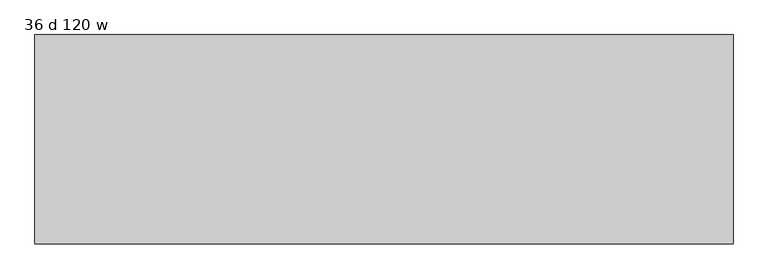
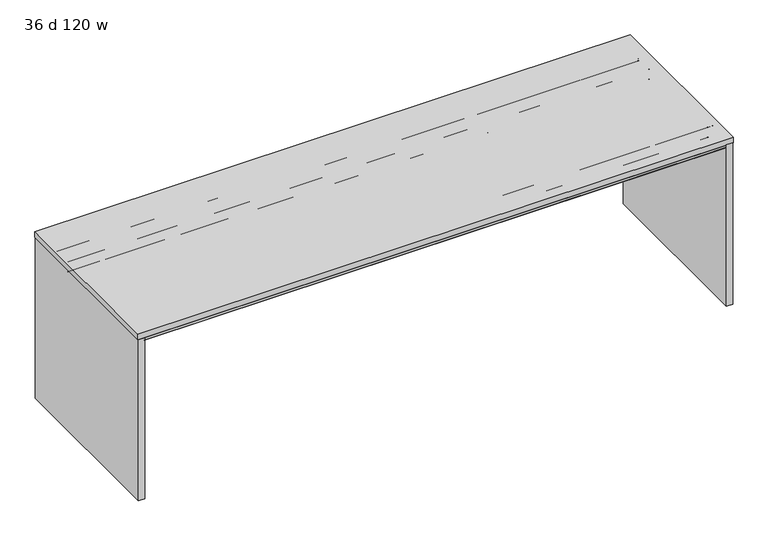
"""IFC4 building model written with IfcOpenShell, lengths in millimetres: furniture geometry, 36 d 120 w."""

from ifc_helpers import new_model, si_unit, frame, origin, place, context, project, spatial, polyline, circle_curve, outline, extrude, source, transform, mapped, element, save
from ifc_brep_helpers import plane_surface, cylinder_surface, revolved_surface, advanced_brep


def furniture_36_d_120_w_9cd12240(model_context):
    return source(origin(), model_context, "Body", "SolidModel", [
        advanced_brep(
        [(-1489.9632694, -364.4387871, 883.3451368), (-1489.9632694, -364.4387871, 884.8344355), (-1489.9632694, -157.2775792, 884.8344355), (-1489.9632694, -157.2775792, 883.3451368), (-1489.9632694, -221.348793, 883.3451368), (-1489.9632694, -222.1387884, 882.5551414), (-1489.9632694, -222.1387884, 829.4251949), (-1489.9632694, -224.1487901, 827.4151932), (-1489.9632694, -295.1288099, 827.4151932), (-1489.9632694, -297.1387889, 829.4251722), (-1489.9632694, -297.1387889, 882.5551324), (-1489.9632694, -297.9287934, 883.3451368), (-1489.9632694, -301.1440004, 883.3451368), (-1489.9632694, -301.1440004, 882.4551476), (-1489.9632694, -317.151863, 882.4551476), (-1489.9632694, -318.1440074, 881.4630031), (-1489.9632694, -318.1440074, 870.3701294), (-1489.9632694, -319.8239921, 868.6901447), (-1489.9632694, -453.464018, 868.6901447), (-1489.9632694, -455.1440027, 870.3701294), (-1489.9632694, -455.1440027, 882.8851358), (-1489.9632694, -453.1947031, 884.8344355), (-1489.9632694, -435.1440062, 884.8344355), (-1489.9632694, -435.1440062, 883.3451368), (1489.9632694, -297.1387889, 882.5551324), (1489.9632694, -297.1387889, 829.4251722), (1489.9632694, -295.1288099, 827.4151932), (1489.9632694, -224.1487901, 827.4151932), (1489.9632694, -222.1387884, 829.4251949), (1489.9632694, -222.1387884, 882.5551414), (1489.9632694, -221.348793, 883.3451368), (1489.9632694, -157.2775792, 883.3451368), (1489.9632694, -157.2775792, 884.8344355), (1489.9632694, -297.1387889, 884.8344355), (1513.8077008, -297.9287934, 883.3451368), (1513.8077008, -364.4387871, 883.3451368), (1489.9632694, -364.4387871, 883.3451368), (1489.9632694, -301.1440004, 883.3451368), (1489.9632694, -297.9287934, 883.3451368), (-1437.6233975, -297.1387889, 882.5551324), (-1413.7789661, -297.1387889, 882.5551324), (-1457.5087931, -157.2775792, 883.3451368), (-1451.8323695, -159.6288302, 883.3451368), (-1423.0978826, -188.3633064, 883.3451368), (-1405.1373737, -195.8027908, 883.3451368), (1405.1373737, -195.8027908, 883.3451368), (1423.0978826, -188.3633064, 883.3451368), (1451.8323695, -159.6288302, 883.3451368), (1457.5087931, -157.2775792, 883.3451368), (1513.8077008, -364.4387871, 884.8344355), (1513.8077008, -297.1387889, 884.8344355), (1457.5087931, -157.2775792, 884.8344355), (1451.8323695, -159.6288302, 884.8344355), (1423.0978826, -188.3633064, 884.8344355), (1405.1373737, -195.8027908, 884.8344355), (-1405.1373737, -195.8027908, 884.8344355), (-1423.0978826, -188.3633064, 884.8344355), (-1451.8323695, -159.6288302, 884.8344355), (-1457.5087931, -157.2775792, 884.8344355), (1513.8077008, -297.1387889, 882.5551324), (1489.9632694, -319.8239921, 868.6901447), (1489.9632694, -318.1440074, 870.3701294), (1489.9632694, -318.1440074, 881.4630031), (1489.9632694, -317.151863, 882.4551476), (1489.9632694, -301.1440004, 882.4551476), (1489.9632694, -435.1440062, 883.3451368), (1489.9632694, -435.1440062, 884.8344355), (1489.9632694, -453.1947031, 884.8344355), (1489.9632694, -455.1440027, 882.8851358), (1489.9632694, -455.1440027, 870.3701294), (1489.9632694, -453.464018, 868.6901447)],
        [
            (0, 1),
            (1, 2),
            (2, 3),
            (3, 4),
            (4, 5, circle_curve(frame((-1489.9632694, -221.348793, 882.5551414), z_axis=(1.0, 0.0, 0.0), x_axis=(0.0, 1.0, 0.0)), 0.7899954)),
            (5, 6),
            (6, 7, circle_curve(frame((-1489.9632694, -224.1487901, 829.4251949), z_axis=(-1.0, 0.0, 0.0), x_axis=(0.0, 1.0, 0.0)), 2.0100018)),
            (7, 8),
            (8, 9, circle_curve(frame((-1489.9632694, -295.1288099, 829.4251722), z_axis=(-1.0, 0.0, 0.0), x_axis=(0.0, 1.0, 0.0)), 2.0099791)),
            (9, 10),
            (10, 11, circle_curve(frame((-1489.9632694, -297.9287934, 882.5551324), z_axis=(1.0, 0.0, 0.0), x_axis=(0.0, 1.0, 0.0)), 0.7900045)),
            (11, 12),
            (12, 13),
            (13, 14),
            (14, 15, circle_curve(frame((-1489.9632694, -317.151863, 881.4630031), z_axis=(1.0, 0.0, 0.0), x_axis=(0.0, 1.0, 0.0)), 0.9921444)),
            (15, 16),
            (16, 17, circle_curve(frame((-1489.9632694, -319.8239921, 870.3701294), z_axis=(-1.0, 0.0, 0.0), x_axis=(0.0, 1.0, 0.0)), 1.6799847)),
            (17, 18),
            (18, 19, circle_curve(frame((-1489.9632694, -453.464018, 870.3701294), z_axis=(-1.0, 0.0, 0.0), x_axis=(0.0, 1.0, 0.0)), 1.6799847)),
            (19, 20),
            (20, 21, circle_curve(frame((-1489.9632694, -453.1947031, 882.8851358), z_axis=(-1.0, 0.0, 0.0), x_axis=(0.0, 1.0, 0.0)), 1.9492996)),
            (21, 22),
            (22, 23),
            (23, 0),
            (24, 25),
            (25, 26, circle_curve(frame((1489.9632694, -295.1288099, 829.4251722), z_axis=(1.0, 0.0, 0.0), x_axis=(0.0, 1.0, 0.0)), 2.0099791)),
            (26, 27),
            (27, 28, circle_curve(frame((1489.9632694, -224.1487901, 829.4251949), z_axis=(1.0, 0.0, 0.0), x_axis=(0.0, 1.0, 0.0)), 2.0100018)),
            (28, 29),
            (29, 30, circle_curve(frame((1489.9632694, -221.348793, 882.5551414), z_axis=(-1.0, 0.0, 0.0), x_axis=(0.0, 1.0, 0.0)), 0.7899954)),
            (30, 31),
            (31, 32),
            (32, 33),
            (33, 24),
            (34, 35),
            (35, 36),
            (36, 37),
            (37, 12),
            (11, 38),
            (38, 34),
            (10, 39),
            (39, 40),
            (40, 24),
            (24, 38, circle_curve(frame((1489.9632694, -297.9287934, 882.5551324), z_axis=(1.0, 0.0, 0.0), x_axis=(0.0, 1.0, 0.0)), 0.7900045)),
            (9, 25),
            (8, 26),
            (7, 27),
            (6, 28),
            (5, 29),
            (4, 30),
            (3, 41),
            (41, 42, circle_curve(frame((-1457.5087931, -165.305256, 883.3451368), z_axis=(0.0, 0.0, -1.0), x_axis=(-1.0, 0.0, 0.0)), 8.0276768)),
            (42, 43),
            (43, 44, circle_curve(frame((-1405.1373737, -170.4027908, 883.3451368), z_axis=(0.0, 0.0, 1.0), x_axis=(-1.0, 0.0, 0.0)), 25.4)),
            (44, 45),
            (45, 46, circle_curve(frame((1405.1373737, -170.4027908, 883.3451368), z_axis=(0.0, 0.0, 1.0), x_axis=(-1.0, 0.0, 0.0)), 25.4)),
            (46, 47),
            (47, 48, circle_curve(frame((1457.5087931, -165.305256, 883.3451368), z_axis=(0.0, 0.0, -1.0), x_axis=(-1.0, 0.0, 0.0)), 8.0276768)),
            (48, 31),
            (1, 49),
            (49, 50),
            (50, 33),
            (32, 51),
            (51, 52, circle_curve(frame((1457.5087931, -165.305256, 884.8344355), z_axis=(0.0, 0.0, 1.0), x_axis=(-1.0, 0.0, 0.0)), 8.0276768)),
            (52, 53),
            (53, 54, circle_curve(frame((1405.1373737, -170.4027908, 884.8344355), z_axis=(0.0, 0.0, -1.0), x_axis=(-1.0, 0.0, 0.0)), 25.4)),
            (54, 55),
            (55, 56, circle_curve(frame((-1405.1373737, -170.4027908, 884.8344355), z_axis=(0.0, 0.0, -1.0), x_axis=(-1.0, 0.0, 0.0)), 25.4)),
            (56, 57),
            (57, 58, circle_curve(frame((-1457.5087931, -165.305256, 884.8344355), z_axis=(0.0, 0.0, 1.0), x_axis=(-1.0, 0.0, 0.0)), 8.0276768)),
            (58, 2),
            (0, 36),
            (35, 49),
            (34, 59, circle_curve(frame((1513.8077008, -297.9287934, 882.5551324), z_axis=(-1.0, 0.0, 0.0), x_axis=(0.0, 0.0, 1.0)), 0.7900045)),
            (59, 50),
            (24, 59),
            (60, 61, circle_curve(frame((1489.9632694, -319.8239921, 870.3701294), z_axis=(1.0, 0.0, 0.0), x_axis=(0.0, 1.0, 0.0)), 1.6799847)),
            (61, 62),
            (62, 63, circle_curve(frame((1489.9632694, -317.151863, 881.4630031), z_axis=(-1.0, 0.0, 0.0), x_axis=(0.0, 1.0, 0.0)), 0.9921444)),
            (63, 64),
            (64, 37),
            (36, 65),
            (65, 66),
            (66, 67),
            (67, 68, circle_curve(frame((1489.9632694, -453.1947031, 882.8851358), z_axis=(1.0, 0.0, 0.0), x_axis=(0.0, 1.0, 0.0)), 1.9492996)),
            (68, 69),
            (69, 70, circle_curve(frame((1489.9632694, -453.464018, 870.3701294), z_axis=(1.0, 0.0, 0.0), x_axis=(0.0, 1.0, 0.0)), 1.6799847)),
            (70, 60),
            (16, 61),
            (60, 17),
            (15, 62),
            (14, 63),
            (13, 64),
            (23, 65),
            (22, 66),
            (21, 67),
            (20, 68),
            (19, 69),
            (18, 70),
            (58, 41),
            (57, 42),
            (56, 43),
            (55, 44),
            (54, 45),
            (53, 46),
            (52, 47),
            (51, 48),
        ],
        [
            plane_surface(frame((-1489.9632694, -259.6388, 884.8344355), z_axis=(-1.0, 0.0, 0.0), x_axis=(0.0, 0.0, 1.0))),
            plane_surface(frame((1489.9632694, -259.6388, 884.8344355), z_axis=(1.0, 0.0, 0.0), x_axis=(0.0, 0.0, 1.0))),
            plane_surface(frame((-1489.9632694, -297.9287934, 883.3451368), z_axis=(0.0, 0.0, -1.0), x_axis=(1.0, 0.0, 0.0))),
            revolved_surface(polyline([(1489.9632694, -297.1387889, 882.5551324), (-1489.9632694, -297.1387889, 882.5551324)]), (-1489.9632694, -297.9287934, 882.5551324), (1.0, 0.0, 0.0)),
            plane_surface(frame((-1489.9632694, -297.1387889, 829.4251722), z_axis=(0.0, -1.0, 0.0), x_axis=(1.0, 0.0, 0.0))),
            cylinder_surface(frame((-1489.9632694, -295.1288099, 829.4251722), z_axis=(-1.0, 0.0, 0.0), x_axis=(0.0, 1.0, 0.0)), 2.0099791),
            plane_surface(frame((-1489.9632694, -224.1487901, 827.4151932), z_axis=(0.0, 0.0, -1.0), x_axis=(1.0, 0.0, 0.0))),
            cylinder_surface(frame((-1489.9632694, -224.1487901, 829.4251949), z_axis=(-1.0, 0.0, 0.0), x_axis=(0.0, 1.0, 0.0)), 2.0100018),
            plane_surface(frame((-1489.9632694, -222.1387884, 882.5551414), z_axis=(0.0, 1.0, 0.0), x_axis=(1.0, 0.0, 0.0))),
            revolved_surface(polyline([(1489.9632694, -220.5587976, 882.5551414), (-1489.9632694, -220.5587976, 882.5551414)]), (-1489.9632694, -221.348793, 882.5551414), (1.0, 0.0, 0.0)),
            plane_surface(frame((-1489.9632694, -154.8387896, 883.3451368), z_axis=(0.0, 0.0, -1.0), x_axis=(1.0, 0.0, 0.0))),
            plane_surface(frame((-1489.9632694, -364.4387871, 884.8344355), z_axis=(0.0, 0.0, 1.0), x_axis=(1.0, 0.0, 0.0))),
            plane_surface(frame((-1489.9632694, -364.4387871, 883.3451368), z_axis=(0.0, -1.0, 0.0), x_axis=(1.0, 0.0, 0.0))),
            plane_surface(frame((1513.8077008, -364.4387871, 884.8344355), z_axis=(1.0, 0.0, 0.0), x_axis=(0.0, 0.0, -1.0))),
            revolved_surface(polyline([(1489.9632694, -297.9287934, 883.3451369), (1513.8077008, -297.9287934, 883.3451369)]), (1489.9632694, -297.9287934, 882.5551324), (-1.0, 0.0, 0.0)),
            plane_surface(frame((1513.8077008, -297.1387889, 882.5551324), z_axis=(0.0, 1.0, 0.0), x_axis=(-1.0, 0.0, 0.0))),
            plane_surface(frame((1489.9632694, -457.2, 884.8344355), z_axis=(1.0, 0.0, 0.0), x_axis=(0.0, 0.0, 1.0))),
            cylinder_surface(frame((-1489.9632694, -319.8239921, 870.3701294), z_axis=(-1.0, 0.0, 0.0), x_axis=(0.0, 1.0, 0.0)), 1.6799847),
            plane_surface(frame((-1489.9632694, -318.1440074, 881.4630031), z_axis=(0.0, 1.0, 0.0), x_axis=(1.0, 0.0, 0.0))),
            revolved_surface(polyline([(1489.9632694, -316.1597186, 881.4630031), (-1489.9632694, -316.1597186, 881.4630031)]), (-1489.9632694, -317.151863, 881.4630031), (1.0, 0.0, 0.0)),
            plane_surface(frame((-1489.9632694, -301.1440004, 882.4551476), z_axis=(0.0, 0.0, -1.0), x_axis=(1.0, 0.0, 0.0))),
            plane_surface(frame((-1489.9632694, -301.1440004, 883.3451368), z_axis=(0.0, 1.0, 0.0), x_axis=(1.0, 0.0, 0.0))),
            plane_surface(frame((-1489.9632694, -435.1440062, 883.3451368), z_axis=(0.0, 0.0, 1.0), x_axis=(1.0, 0.0, 0.0))),
            plane_surface(frame((-1489.9632694, -435.1440062, 884.8344355), z_axis=(0.0, 1.0, 0.0), x_axis=(1.0, 0.0, 0.0))),
            plane_surface(frame((-1489.9632694, -453.1947031, 884.8344355), z_axis=(0.0, 0.0, 1.0), x_axis=(1.0, 0.0, 0.0))),
            cylinder_surface(frame((-1489.9632694, -453.1947031, 882.8851358), z_axis=(-1.0, 0.0, 0.0), x_axis=(0.0, 1.0, 0.0)), 1.9492996),
            plane_surface(frame((-1489.9632694, -455.1440027, 870.3701294), z_axis=(0.0, -1.0, 0.0), x_axis=(1.0, 0.0, 0.0))),
            cylinder_surface(frame((-1489.9632694, -453.464018, 870.3701294), z_axis=(-1.0, 0.0, 0.0), x_axis=(0.0, 1.0, 0.0)), 1.6799847),
            plane_surface(frame((-1489.9632694, -319.8239921, 868.6901447), z_axis=(0.0, 0.0, -1.0), x_axis=(1.0, 0.0, 0.0))),
            plane_surface(frame((-1489.9632694, -157.2775792, 884.8344355), z_axis=(0.0, 1.0, 0.0), x_axis=(0.0, 0.0, -1.0))),
            cylinder_surface(frame((-1457.5087931, -165.305256, 868.6901447), z_axis=(0.0, 0.0, -1.0), x_axis=(-1.0, 0.0, 0.0)), 8.0276768),
            plane_surface(frame((-1451.8323695, -159.6288302, 884.8344355), z_axis=(0.7071066495450311, 0.7071069128280394, 0.0), x_axis=(0.0, 0.0, -1.0))),
            revolved_surface(polyline([(-1430.5373737, -170.4027908, 884.8344355), (-1430.5373737, -170.4027908, 883.3451368)]), (-1405.1373737, -170.4027908, 868.6901447), (0.0, 0.0, 1.0)),
            plane_surface(frame((-1405.1373737, -195.8027908, 884.8344355), z_axis=(0.0, 1.0, 0.0), x_axis=(0.0, 0.0, -1.0))),
            revolved_surface(polyline([(1379.7373736999998, -170.4027908, 884.8344355), (1379.7373736999998, -170.4027908, 883.3451368)]), (1405.1373737, -170.4027908, 868.6901447), (0.0, 0.0, 1.0)),
            plane_surface(frame((1423.0978826, -188.3633064, 884.8344355), z_axis=(-0.7071066495450119, 0.7071069128280586, 0.0), x_axis=(0.0, 0.0, -1.0))),
            cylinder_surface(frame((1457.5087931, -165.305256, 868.6901447), z_axis=(0.0, 0.0, -1.0), x_axis=(-1.0, 0.0, 0.0)), 8.0276768),
            plane_surface(frame((1457.5087931, -157.2775792, 884.8344355), z_axis=(0.0, 1.0, 0.0), x_axis=(0.0, 0.0, -1.0))),
        ],
        [
            (0, [[1, 2, 3, 4, 5, 6, 7, 8, 9, 10, 11, 12, 13, 14, 15, 16, 17, 18, 19, 20, 21, 22, 23, 24]]),
            (1, [[25, 26, 27, 28, 29, 30, 31, 32, 33, 34]]),
            (2, [[35, 36, 37, 38, -12, 39, 40]]),
            (3, [[-11, 41, 42, 43, 44, -39]]),
            (4, [[-10, 45, -25, -43, -42, -41]]),
            (5, [[-9, 46, -26, -45]]),
            (6, [[-8, 47, -27, -46]]),
            (7, [[-7, 48, -28, -47]]),
            (8, [[-6, 49, -29, -48]]),
            (9, [[-5, 50, -30, -49]]),
            (10, [[-50, -4, 51, 52, 53, 54, 55, 56, 57, 58, 59, -31]]),
            (11, [[-2, 60, 61, 62, -33, 63, 64, 65, 66, 67, 68, 69, 70, 71]]),
            (12, [[-1, 72, -36, 73, -60]]),
            (13, [[-73, -35, 74, 75, -61]]),
            (14, [[-74, -40, -44, 76]]),
            (15, [[-75, -76, -34, -62]]),
            (16, [[77, 78, 79, 80, 81, -37, 82, 83, 84, 85, 86, 87, 88]]),
            (17, [[-17, 89, -77, 90]]),
            (18, [[-16, 91, -78, -89]]),
            (19, [[-15, 92, -79, -91]]),
            (20, [[-14, 93, -80, -92]]),
            (21, [[-13, -38, -81, -93]]),
            (22, [[94, -82, -72, -24]]),
            (23, [[-23, 95, -83, -94]]),
            (24, [[-22, 96, -84, -95]]),
            (25, [[-21, 97, -85, -96]]),
            (26, [[-20, 98, -86, -97]]),
            (27, [[-19, 99, -87, -98]]),
            (28, [[-18, -90, -88, -99]]),
            (29, [[100, -51, -3, -71]]),
            (30, [[-100, -70, 101, -52]]),
            (31, [[-101, -69, 102, -53]]),
            (32, [[-102, -68, 103, -54]]),
            (33, [[-103, -67, 104, -55]]),
            (34, [[-104, -66, 105, -56]]),
            (35, [[-105, -65, 106, -57]]),
            (36, [[-106, -64, 107, -58]]),
            (37, [[-107, -63, -32, -59]]),
        ],
    ),
        advanced_brep(
        [(-1489.9632694, 297.9287934, 883.3451368), (-1489.9632694, 297.1387889, 882.5551324), (-1489.9632694, 297.1387889, 829.4251722), (-1489.9632694, 295.1288099, 827.4151932), (-1489.9632694, 224.1487901, 827.4151932), (-1489.9632694, 222.1387884, 829.4251949), (-1489.9632694, 222.1387884, 882.5551414), (-1489.9632694, 221.348793, 883.3451368), (-1489.9632694, 157.2775792, 883.3451368), (-1489.9632694, 157.2775792, 884.8344355), (-1489.9632694, 364.4387871, 884.8344355), (-1489.9632694, 364.4387871, 883.3451368), (-1489.9632694, 435.1440062, 883.3451368), (-1489.9632694, 435.1440062, 884.8344355), (-1489.9632694, 453.1947031, 884.8344355), (-1489.9632694, 455.1440027, 882.8851358), (-1489.9632694, 455.1440027, 870.3701294), (-1489.9632694, 453.464018, 868.6901447), (-1489.9632694, 319.8239921, 868.6901447), (-1489.9632694, 318.1440074, 870.3701294), (-1489.9632694, 318.1440074, 881.4630031), (-1489.9632694, 317.151863, 882.4551476), (-1489.9632694, 301.1440004, 882.4551476), (-1489.9632694, 301.1440004, 883.3451368), (1489.9632694, 221.348793, 883.3451368), (1489.9632694, 222.1387884, 882.5551414), (1489.9632694, 222.1387884, 829.4251949), (1489.9632694, 224.1487901, 827.4151932), (1489.9632694, 295.1288099, 827.4151932), (1489.9632694, 297.1387889, 829.4251722), (1489.9632694, 297.1387889, 882.5551324), (1489.9632694, 297.1387889, 884.8344355), (1489.9632694, 157.2775792, 884.8344355), (1489.9632694, 157.2775792, 883.3451368), (1513.8077008, 364.4387871, 883.3451368), (1513.8077008, 297.9287934, 883.3451368), (1489.9632694, 297.9287934, 883.3451368), (1489.9632694, 301.1440004, 883.3451368), (1489.9632694, 364.4387871, 883.3451368), (-1413.7789661, 297.1387889, 882.5551324), (-1437.6233975, 297.1387889, 882.5551324), (1457.5087931, 157.2775792, 883.3451368), (1451.8323695, 159.6288302, 883.3451368), (1423.0978826, 188.3633064, 883.3451368), (1405.1373737, 195.8027908, 883.3451368), (-1405.1373737, 195.8027908, 883.3451368), (-1423.0978826, 188.3633064, 883.3451368), (-1451.8323695, 159.6288302, 883.3451368), (-1457.5087931, 157.2775792, 883.3451368), (-1457.5087931, 157.2775792, 884.8344355), (-1451.8323695, 159.6288302, 884.8344355), (-1423.0978826, 188.3633064, 884.8344355), (-1405.1373737, 195.8027908, 884.8344355), (1405.1373737, 195.8027908, 884.8344355), (1423.0978826, 188.3633064, 884.8344355), (1451.8323695, 159.6288302, 884.8344355), (1457.5087931, 157.2775792, 884.8344355), (1513.8077008, 297.1387889, 884.8344355), (1513.8077008, 364.4387871, 884.8344355), (1513.8077008, 297.1387889, 882.5551324), (1489.9632694, 319.8239921, 868.6901447), (1489.9632694, 453.464018, 868.6901447), (1489.9632694, 455.1440027, 870.3701294), (1489.9632694, 455.1440027, 882.8851358), (1489.9632694, 453.1947031, 884.8344355), (1489.9632694, 435.1440062, 884.8344355), (1489.9632694, 435.1440062, 883.3451368), (1489.9632694, 301.1440004, 882.4551476), (1489.9632694, 317.151863, 882.4551476), (1489.9632694, 318.1440074, 881.4630031), (1489.9632694, 318.1440074, 870.3701294)],
        [
            (0, 1, circle_curve(frame((-1489.9632694, 297.9287934, 882.5551324), z_axis=(1.0, 0.0, 0.0), x_axis=(0.0, 1.0, 0.0)), 0.7900045)),
            (1, 2),
            (2, 3, circle_curve(frame((-1489.9632694, 295.1288099, 829.4251722), z_axis=(-1.0, 0.0, 0.0), x_axis=(0.0, 1.0, 0.0)), 2.0099791)),
            (3, 4),
            (4, 5, circle_curve(frame((-1489.9632694, 224.1487901, 829.4251949), z_axis=(-1.0, 0.0, 0.0), x_axis=(0.0, 1.0, 0.0)), 2.0100018)),
            (5, 6),
            (6, 7, circle_curve(frame((-1489.9632694, 221.348793, 882.5551414), z_axis=(1.0, 0.0, 0.0), x_axis=(0.0, 1.0, 0.0)), 0.7899954)),
            (7, 8),
            (8, 9),
            (9, 10),
            (10, 11),
            (11, 12),
            (12, 13),
            (13, 14),
            (14, 15, circle_curve(frame((-1489.9632694, 453.1947031, 882.8851358), z_axis=(-1.0, 0.0, 0.0), x_axis=(0.0, 1.0, 0.0)), 1.9492996)),
            (15, 16),
            (16, 17, circle_curve(frame((-1489.9632694, 453.464018, 870.3701294), z_axis=(-1.0, 0.0, 0.0), x_axis=(0.0, 1.0, 0.0)), 1.6799847)),
            (17, 18),
            (18, 19, circle_curve(frame((-1489.9632694, 319.8239921, 870.3701294), z_axis=(-1.0, 0.0, 0.0), x_axis=(0.0, 1.0, 0.0)), 1.6799847)),
            (19, 20),
            (20, 21, circle_curve(frame((-1489.9632694, 317.151863, 881.4630031), z_axis=(1.0, 0.0, 0.0), x_axis=(0.0, 1.0, 0.0)), 0.9921444)),
            (21, 22),
            (22, 23),
            (23, 0),
            (24, 25, circle_curve(frame((1489.9632694, 221.348793, 882.5551414), z_axis=(-1.0, 0.0, 0.0), x_axis=(0.0, 1.0, 0.0)), 0.7899954)),
            (25, 26),
            (26, 27, circle_curve(frame((1489.9632694, 224.1487901, 829.4251949), z_axis=(1.0, 0.0, 0.0), x_axis=(0.0, 1.0, 0.0)), 2.0100018)),
            (27, 28),
            (28, 29, circle_curve(frame((1489.9632694, 295.1288099, 829.4251722), z_axis=(1.0, 0.0, 0.0), x_axis=(0.0, 1.0, 0.0)), 2.0099791)),
            (29, 30),
            (30, 31),
            (31, 32),
            (32, 33),
            (33, 24),
            (34, 35),
            (35, 36),
            (36, 0),
            (23, 37),
            (37, 38),
            (38, 34),
            (36, 30, circle_curve(frame((1489.9632694, 297.9287934, 882.5551324), z_axis=(1.0, 0.0, 0.0), x_axis=(0.0, 1.0, 0.0)), 0.7900045)),
            (30, 39),
            (39, 40),
            (40, 1),
            (29, 2),
            (28, 3),
            (27, 4),
            (26, 5),
            (25, 6),
            (24, 7),
            (33, 41),
            (41, 42, circle_curve(frame((1457.5087931, 165.305256, 883.3451368), z_axis=(0.0, 0.0, -1.0), x_axis=(-1.0, 0.0, 0.0)), 8.0276768)),
            (42, 43),
            (43, 44, circle_curve(frame((1405.1373737, 170.4027908, 883.3451368), z_axis=(0.0, 0.0, 1.0), x_axis=(-1.0, 0.0, 0.0)), 25.4)),
            (44, 45),
            (45, 46, circle_curve(frame((-1405.1373737, 170.4027908, 883.3451368), z_axis=(0.0, 0.0, 1.0), x_axis=(-1.0, 0.0, 0.0)), 25.4)),
            (46, 47),
            (47, 48, circle_curve(frame((-1457.5087931, 165.305256, 883.3451368), z_axis=(0.0, 0.0, -1.0), x_axis=(-1.0, 0.0, 0.0)), 8.0276768)),
            (48, 8),
            (9, 49),
            (49, 50, circle_curve(frame((-1457.5087931, 165.305256, 884.8344355), z_axis=(0.0, 0.0, 1.0), x_axis=(-1.0, 0.0, 0.0)), 8.0276768)),
            (50, 51),
            (51, 52, circle_curve(frame((-1405.1373737, 170.4027908, 884.8344355), z_axis=(0.0, 0.0, -1.0), x_axis=(-1.0, 0.0, 0.0)), 25.4)),
            (52, 53),
            (53, 54, circle_curve(frame((1405.1373737, 170.4027908, 884.8344355), z_axis=(0.0, 0.0, -1.0), x_axis=(-1.0, 0.0, 0.0)), 25.4)),
            (54, 55),
            (55, 56, circle_curve(frame((1457.5087931, 165.305256, 884.8344355), z_axis=(0.0, 0.0, 1.0), x_axis=(-1.0, 0.0, 0.0)), 8.0276768)),
            (56, 32),
            (31, 57),
            (57, 58),
            (58, 10),
            (58, 34),
            (38, 11),
            (57, 59),
            (59, 35, circle_curve(frame((1513.8077008, 297.9287934, 882.5551324), z_axis=(-1.0, 0.0, 0.0), x_axis=(0.0, 0.0, 1.0)), 0.7900045)),
            (30, 59),
            (60, 61),
            (61, 62, circle_curve(frame((1489.9632694, 453.464018, 870.3701294), z_axis=(1.0, 0.0, 0.0), x_axis=(0.0, 1.0, 0.0)), 1.6799847)),
            (62, 63),
            (63, 64, circle_curve(frame((1489.9632694, 453.1947031, 882.8851358), z_axis=(1.0, 0.0, 0.0), x_axis=(0.0, 1.0, 0.0)), 1.9492996)),
            (64, 65),
            (65, 66),
            (66, 38),
            (37, 67),
            (67, 68),
            (68, 69, circle_curve(frame((1489.9632694, 317.151863, 881.4630031), z_axis=(-1.0, 0.0, 0.0), x_axis=(0.0, 1.0, 0.0)), 0.9921444)),
            (69, 70),
            (70, 60, circle_curve(frame((1489.9632694, 319.8239921, 870.3701294), z_axis=(1.0, 0.0, 0.0), x_axis=(0.0, 1.0, 0.0)), 1.6799847)),
            (18, 60),
            (70, 19),
            (69, 20),
            (68, 21),
            (67, 22),
            (66, 12),
            (65, 13),
            (64, 14),
            (63, 15),
            (62, 16),
            (61, 17),
            (56, 41),
            (55, 42),
            (54, 43),
            (53, 44),
            (52, 45),
            (51, 46),
            (50, 47),
            (49, 48),
        ],
        [
            plane_surface(frame((-1489.9632694, 259.6388, 884.8344355), z_axis=(-1.0, 0.0, 0.0), x_axis=(0.0, 0.0, 1.0))),
            plane_surface(frame((1489.9632694, 259.6388, 884.8344355), z_axis=(1.0, 0.0, 0.0), x_axis=(0.0, 0.0, 1.0))),
            plane_surface(frame((-1489.9632694, 364.4387871, 883.3451368), z_axis=(0.0, 0.0, -1.0), x_axis=(1.0, 0.0, 0.0))),
            revolved_surface(polyline([(1489.9632694, 298.7187979, 882.5551324), (-1489.9632694, 298.7187979, 882.5551324)]), (-1489.9632694, 297.9287934, 882.5551324), (1.0, 0.0, 0.0)),
            plane_surface(frame((-1489.9632694, 297.1387889, 882.5551324), z_axis=(0.0, 1.0, 0.0), x_axis=(1.0, 0.0, 0.0))),
            cylinder_surface(frame((-1489.9632694, 295.1288099, 829.4251722), z_axis=(-1.0, 0.0, 0.0), x_axis=(0.0, 1.0, 0.0)), 2.0099791),
            plane_surface(frame((-1489.9632694, 295.1288099, 827.4151932), z_axis=(0.0, 0.0, -1.0), x_axis=(1.0, 0.0, 0.0))),
            cylinder_surface(frame((-1489.9632694, 224.1487901, 829.4251949), z_axis=(-1.0, 0.0, 0.0), x_axis=(0.0, 1.0, 0.0)), 2.0100018),
            plane_surface(frame((-1489.9632694, 222.1387884, 829.4251949), z_axis=(0.0, -1.0, 0.0), x_axis=(1.0, 0.0, 0.0))),
            revolved_surface(polyline([(1489.9632694, 222.1387884, 882.5551414), (-1489.9632694, 222.1387884, 882.5551414)]), (-1489.9632694, 221.348793, 882.5551414), (1.0, 0.0, 0.0)),
            plane_surface(frame((-1489.9632694, 221.348793, 883.3451368), z_axis=(0.0, 0.0, -1.0), x_axis=(1.0, 0.0, 0.0))),
            plane_surface(frame((-1489.9632694, 154.8387896, 884.8344355), z_axis=(0.0, 0.0, 1.0), x_axis=(1.0, 0.0, 0.0))),
            plane_surface(frame((-1489.9632694, 364.4387871, 884.8344355), z_axis=(0.0, 1.0, 0.0), x_axis=(1.0, 0.0, 0.0))),
            plane_surface(frame((1513.8077008, -364.4387871, 884.8344355), z_axis=(1.0, 0.0, 0.0), x_axis=(0.0, 0.0, -1.0))),
            plane_surface(frame((1513.8077008, 297.1387889, 884.8344355), z_axis=(0.0, -1.0, 0.0), x_axis=(-1.0, 0.0, 0.0))),
            revolved_surface(polyline([(1489.9632694, 297.9287934, 883.3451369), (1513.8077008, 297.9287934, 883.3451369)]), (1489.9632694, 297.9287934, 882.5551324), (-1.0, 0.0, 0.0)),
            plane_surface(frame((1489.9632694, 457.2, 884.8344355), z_axis=(1.0, 0.0, 0.0), x_axis=(0.0, 0.0, 1.0))),
            cylinder_surface(frame((-1489.9632694, 319.8239921, 870.3701294), z_axis=(-1.0, 0.0, 0.0), x_axis=(0.0, 1.0, 0.0)), 1.6799847),
            plane_surface(frame((-1489.9632694, 318.1440074, 870.3701294), z_axis=(0.0, -1.0, 0.0), x_axis=(1.0, 0.0, 0.0))),
            revolved_surface(polyline([(1489.9632694, 318.14400739999996, 881.4630031), (-1489.9632694, 318.14400739999996, 881.4630031)]), (-1489.9632694, 317.151863, 881.4630031), (1.0, 0.0, 0.0)),
            plane_surface(frame((-1489.9632694, 317.151863, 882.4551476), z_axis=(0.0, 0.0, -1.0), x_axis=(1.0, 0.0, 0.0))),
            plane_surface(frame((-1489.9632694, 301.1440004, 882.4551476), z_axis=(0.0, -1.0, 0.0), x_axis=(1.0, 0.0, 0.0))),
            plane_surface(frame((-1489.9632694, 301.1440004, 883.3451368), z_axis=(0.0, 0.0, 1.0), x_axis=(1.0, 0.0, 0.0))),
            plane_surface(frame((-1489.9632694, 435.1440062, 883.3451368), z_axis=(0.0, -1.0, 0.0), x_axis=(1.0, 0.0, 0.0))),
            plane_surface(frame((-1489.9632694, 435.1440062, 884.8344355), z_axis=(0.0, 0.0, 1.0), x_axis=(1.0, 0.0, 0.0))),
            cylinder_surface(frame((-1489.9632694, 453.1947031, 882.8851358), z_axis=(-1.0, 0.0, 0.0), x_axis=(0.0, 1.0, 0.0)), 1.9492996),
            plane_surface(frame((-1489.9632694, 455.1440027, 882.8851358), z_axis=(0.0, 1.0, 0.0), x_axis=(1.0, 0.0, 0.0))),
            cylinder_surface(frame((-1489.9632694, 453.464018, 870.3701294), z_axis=(-1.0, 0.0, 0.0), x_axis=(0.0, 1.0, 0.0)), 1.6799847),
            plane_surface(frame((-1489.9632694, 453.464018, 868.6901447), z_axis=(0.0, 0.0, -1.0), x_axis=(1.0, 0.0, 0.0))),
            plane_surface(frame((1489.9632694, 157.2775792, 884.8344355), z_axis=(0.0, -1.0, 0.0), x_axis=(0.0, 0.0, -1.0))),
            cylinder_surface(frame((1457.5087931, 165.305256, 868.6901447), z_axis=(0.0, 0.0, -1.0), x_axis=(-1.0, 0.0, 0.0)), 8.0276768),
            plane_surface(frame((1451.8323695, 159.6288302, 884.8344355), z_axis=(-0.7071066495449054, -0.7071069128281653, 0.0), x_axis=(0.0, 0.0, -1.0))),
            revolved_surface(polyline([(1379.7373736999998, 170.4027908, 884.8344355), (1379.7373736999998, 170.4027908, 883.3451368)]), (1405.1373737, 170.4027908, 868.6901447), (0.0, 0.0, 1.0)),
            plane_surface(frame((1405.1373737, 195.8027908, 884.8344355), z_axis=(0.0, -1.0, 0.0), x_axis=(0.0, 0.0, -1.0))),
            revolved_surface(polyline([(-1430.5373737, 170.4027908, 884.8344355), (-1430.5373737, 170.4027908, 883.3451368)]), (-1405.1373737, 170.4027908, 868.6901447), (0.0, 0.0, 1.0)),
            plane_surface(frame((-1423.0978826, 188.3633064, 884.8344355), z_axis=(0.7071066495450019, -0.7071069128280686, 0.0), x_axis=(0.0, 0.0, -1.0))),
            cylinder_surface(frame((-1457.5087931, 165.305256, 868.6901447), z_axis=(0.0, 0.0, -1.0), x_axis=(-1.0, 0.0, 0.0)), 8.0276768),
            plane_surface(frame((-1457.5087931, 157.2775792, 884.8344355), z_axis=(0.0, -1.0, 0.0), x_axis=(0.0, 0.0, -1.0))),
        ],
        [
            (0, [[1, 2, 3, 4, 5, 6, 7, 8, 9, 10, 11, 12, 13, 14, 15, 16, 17, 18, 19, 20, 21, 22, 23, 24]]),
            (1, [[25, 26, 27, 28, 29, 30, 31, 32, 33, 34]]),
            (2, [[35, 36, 37, -24, 38, 39, 40]]),
            (3, [[-1, -37, 41, 42, 43, 44]]),
            (4, [[-2, -44, -43, -42, -30, 45]]),
            (5, [[-3, -45, -29, 46]]),
            (6, [[-4, -46, -28, 47]]),
            (7, [[-5, -47, -27, 48]]),
            (8, [[-6, -48, -26, 49]]),
            (9, [[-7, -49, -25, 50]]),
            (10, [[-50, -34, 51, 52, 53, 54, 55, 56, 57, 58, 59, -8]]),
            (11, [[-10, 60, 61, 62, 63, 64, 65, 66, 67, 68, -32, 69, 70, 71]]),
            (12, [[-11, -71, 72, -40, 73]]),
            (13, [[74, 75, -35, -72, -70]]),
            (14, [[-74, -69, -31, 76]]),
            (15, [[-75, -76, -41, -36]]),
            (16, [[77, 78, 79, 80, 81, 82, 83, -39, 84, 85, 86, 87, 88]]),
            (17, [[-19, 89, -88, 90]]),
            (18, [[-20, -90, -87, 91]]),
            (19, [[-21, -91, -86, 92]]),
            (20, [[-22, -92, -85, 93]]),
            (21, [[-23, -93, -84, -38]]),
            (22, [[94, -12, -73, -83]]),
            (23, [[-13, -94, -82, 95]]),
            (24, [[-14, -95, -81, 96]]),
            (25, [[-15, -96, -80, 97]]),
            (26, [[-16, -97, -79, 98]]),
            (27, [[-17, -98, -78, 99]]),
            (28, [[-18, -99, -77, -89]]),
            (29, [[100, -51, -33, -68]]),
            (30, [[-100, -67, 101, -52]]),
            (31, [[-101, -66, 102, -53]]),
            (32, [[-102, -65, 103, -54]]),
            (33, [[-103, -64, 104, -55]]),
            (34, [[-104, -63, 105, -56]]),
            (35, [[-105, -62, 106, -57]]),
            (36, [[-106, -61, 107, -58]]),
            (37, [[-107, -60, -9, -59]]),
        ],
    ),
        extrude(outline(polyline([(-1489.9632694, 457.2), (-1489.9632694, -457.2), (-1521.5098177, -457.2), (-1521.5098177, 457.2), (-1489.9632694, 457.2)])), frame((0.0, 0.0, 12.2237497), z_axis=(0.0, 0.0, 1.0), x_axis=(1.0, 0.0, 0.0)), (0.0, 0.0, 1.0), 872.6106858),
        extrude(outline(polyline([(1489.9632694, 457.2), (1521.5098177, 457.2), (1521.5098177, -457.2), (1489.9632694, -457.2), (1489.9632694, 457.2)])), frame((0.0, 0.0, 12.2237497), z_axis=(0.0, 0.0, 1.0), x_axis=(1.0, 0.0, 0.0)), (0.0, 0.0, 1.0), 872.6106858),
        extrude(outline(polyline([(1524.0, 457.2), (1524.0, -457.2), (-1524.0, -457.2), (-1524.0, 457.2), (1524.0, 457.2)])), frame((0.0, 0.0, 884.8344355), z_axis=(0.0, 0.0, 1.0), x_axis=(1.0, 0.0, 0.0)), (0.0, 0.0, 1.0), 29.5655645),
    ])


if __name__ == "__main__":
    model = new_model("IFC4")
    model_context = context("Model", 3, world=origin())
    ifc_project = project(units=[si_unit("LENGTHUNIT", "METRE", prefix="MILLI")], contexts=[model_context])
    site = spatial("IfcSite", under=ifc_project)
    building = spatial("IfcBuilding", under=site)
    placement = place(None, origin())
    furniture_36_d_120_w_shape = furniture_36_d_120_w_9cd12240(model_context)
    element("IfcFurniture", 1, ObjectType="36 d 120 w", at=placement, inside=building, context=model_context, shape_type="MappedRepresentation", body=[
        mapped(furniture_36_d_120_w_shape, transform((0.0, 0.0, 0.0), x_axis=(1.0, 0.0, 0.0), y_axis=(0.0, 1.0, 0.0), z_axis=(0.0, 0.0, 1.0))),
    ])
    save(model, "model.ifc")
